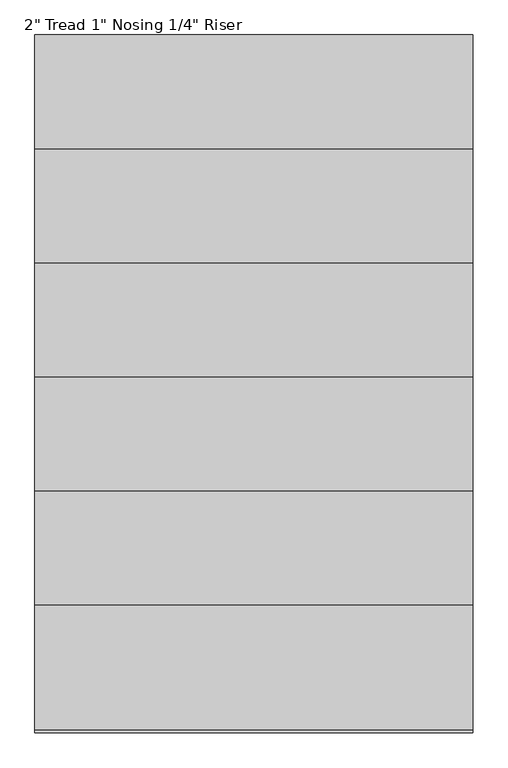
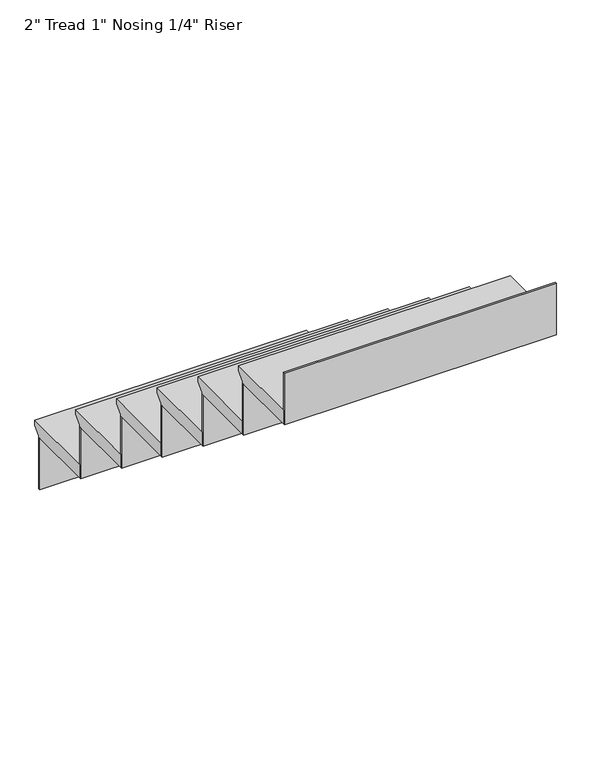
"""IFC4 building model written with IfcOpenShell, lengths in millimetres: stair flight geometry."""

import ifcopenshell
import ifcopenshell.guid

model = None  # the IFC model being written
_history = None  # IfcOwnerHistory: only IFC2X3 demands one
_inside = {}  # id of a spatial element -> (the spatial element, [elements in it])
_under = {}  # id of a project, library or spatial element -> (it, [spatial elements below it])
_declared = {}  # id of a project -> (the project, [libraries it declares])
_typed = {}  # id of a type object -> (the type object, [elements of that type])
_made_of = {}  # id of a material, layer set ... -> (it, [elements and type objects made of it])


def new_model(schema):
    """Start an empty IFC model of exactly this schema.

    Asked for "IFC4X3", IfcOpenShell would pick the latest addendum, in which some entities
    have other attributes; the version numbers below select the first issue.
    IFC2X3 requires an IfcOwnerHistory on every rooted entity: one is made here for all.
    """
    global model, _history
    if schema == "IFC4X3":
        model = ifcopenshell.file(schema_version=(4, 3, 0, 0))
    else:
        model = ifcopenshell.file(schema=schema)
    _inside.clear()
    _under.clear()
    _declared.clear()
    _typed.clear()
    _made_of.clear()
    _history = None
    if model.schema == "IFC2X3":
        org = make("IfcOrganization", Name="unknown")
        user = make(
            "IfcPersonAndOrganization",
            ThePerson=make("IfcPerson", FamilyName="unknown"),
            TheOrganization=org,
        )
        app = make(
            "IfcApplication",
            ApplicationDeveloper=org,
            Version="unknown",
            ApplicationFullName="unknown",
            ApplicationIdentifier="unknown",
        )
        _history = make(
            "IfcOwnerHistory",
            OwningUser=user,
            OwningApplication=app,
            ChangeAction="ADDED",
            CreationDate=0,
        )
    return model


def make(cls, **values):
    """One entity of the class cls with the attributes given. An attribute that is None is left unset."""
    return model.create_entity(
        cls, **{name: value for name, value in values.items() if value is not None}
    )


def rooted(cls, **values):
    """An entity with a GlobalId (a new one), such as an element, a storey or a relation."""
    return make(cls, GlobalId=ifcopenshell.guid.new(), OwnerHistory=_history, **values)


def si_unit(unit_type, name, prefix=None):
    """IfcSIUnit, for example si_unit("LENGTHUNIT", "METRE", prefix="MILLI")."""
    return make("IfcSIUnit", UnitType=unit_type, Prefix=prefix, Name=name)


def assignment(units):
    """IfcUnitAssignment: the units of a project."""
    return None if units is None else make("IfcUnitAssignment", Units=units)


def point(xyz):
    """IfcCartesianPoint."""
    return None if xyz is None else make("IfcCartesianPoint", Coordinates=xyz)


def direction(xyz):
    """IfcDirection."""
    return None if xyz is None else make("IfcDirection", DirectionRatios=xyz)


def frame(location, z_axis=None, x_axis=None):
    """IfcAxis2Placement3D, a coordinate frame: its origin and axes. An axis left out is left unset."""
    return make(
        "IfcAxis2Placement3D",
        Location=point(location),
        Axis=direction(z_axis),
        RefDirection=direction(x_axis),
    )


def origin():
    """The frame at (0, 0, 0) with its axes left unset."""
    return frame((0.0, 0.0, 0.0))


def place(relative_to, where):
    """IfcLocalPlacement: puts the frame where relative to a parent placement (None: the world)."""
    return make(
        "IfcLocalPlacement", PlacementRelTo=relative_to, RelativePlacement=where
    )


def context(
    kind, dimensions, precision=None, world=None, true_north=None, identifier=None
):
    """IfcGeometricRepresentationContext, for example the 3D "Model" context."""
    return make(
        "IfcGeometricRepresentationContext",
        ContextIdentifier=identifier,
        ContextType=kind,
        CoordinateSpaceDimension=dimensions,
        Precision=precision,
        WorldCoordinateSystem=world,
        TrueNorth=true_north,
    )


def project(units=None, contexts=None):
    """IfcProject with its units and contexts."""
    return rooted(
        "IfcProject",
        Name="project",
        RepresentationContexts=contexts,
        UnitsInContext=assignment(units),
    )


def spatial(cls, under=None, at=None, **own):
    """A site, building, storey or space (cls), placed at a placement, below another one or the project."""
    s = rooted(cls, ObjectPlacement=at, **own)
    if under is not None:
        _under.setdefault(under.id(), (under, []))[1].append(s)
    return s


def polyline(points):
    """IfcPolyline through the points."""
    return make("IfcPolyline", Points=[point(p) for p in points])


def outline(outer, holes=None, kind="AREA"):
    """IfcArbitraryClosedProfileDef: a profile drawn as a closed curve; with holes, ...WithVoids."""
    if holes is None:
        return make("IfcArbitraryClosedProfileDef", ProfileType=kind, OuterCurve=outer)
    return make(
        "IfcArbitraryProfileDefWithVoids",
        ProfileType=kind,
        OuterCurve=outer,
        InnerCurves=holes,
    )


def extrude(swept, where, along, depth):
    """IfcExtrudedAreaSolid: the profile swept, set in the frame where, extruded along a direction by depth."""
    return make(
        "IfcExtrudedAreaSolid",
        SweptArea=swept,
        Position=where,
        ExtrudedDirection=direction(along),
        Depth=depth,
    )


def shape(context_of_items, identifier, shape_type, items):
    """IfcShapeRepresentation: the items that make up one representation, for example the "Body"."""
    return make(
        "IfcShapeRepresentation",
        ContextOfItems=context_of_items,
        RepresentationIdentifier=identifier,
        RepresentationType=shape_type,
        Items=items,
    )


def source(mapping_origin, context_of_items, identifier, shape_type, items):
    """IfcRepresentationMap: a shape defined once, which mapped items show again and again."""
    return make(
        "IfcRepresentationMap",
        MappingOrigin=mapping_origin,
        MappedRepresentation=shape(context_of_items, identifier, shape_type, items),
    )


def transform(
    local_origin,
    x_axis=None,
    y_axis=None,
    z_axis=None,
    scale=None,
    scale2=None,
    scale3=None,
    uniform=True,
):
    """IfcCartesianTransformationOperator3D, or its non-uniform kind. x_axis, y_axis, z_axis: its Axis1, 2, 3."""
    if uniform:
        return make(
            "IfcCartesianTransformationOperator3D",
            Axis1=direction(x_axis),
            Axis2=direction(y_axis),
            LocalOrigin=point(local_origin),
            Scale=scale,
            Axis3=direction(z_axis),
        )
    return make(
        "IfcCartesianTransformationOperator3DnonUniform",
        Axis1=direction(x_axis),
        Axis2=direction(y_axis),
        LocalOrigin=point(local_origin),
        Scale=scale,
        Axis3=direction(z_axis),
        Scale2=scale2,
        Scale3=scale3,
    )


def mapped(mapping_source, mapping_target):
    """IfcMappedItem: shows the shape of a source again, moved by a transform."""
    return make(
        "IfcMappedItem", MappingSource=mapping_source, MappingTarget=mapping_target
    )


def made_of(thing, what):
    """Note that an element or type object is made of a material, layer set ...; save() writes the relation."""
    if what is not None:
        _made_of.setdefault(what.id(), (what, []))[1].append(thing)
    return thing


def element(
    cls,
    number,
    at=None,
    inside=None,
    cuts=None,
    type_object=None,
    material=None,
    context=None,
    identifier="Body",
    shape_type=None,
    held_by="IfcProductDefinitionShape",
    body=None,
    shapes=None,
    **own,
):
    """One element of the class cls, such as IfcWall. Its Tag is "e" and its number.

    at: its placement. inside: the storey or other place that contains it. cuts: it is an
    opening in that element (IfcRelVoidsElement). A single representation is given by context,
    identifier, shape_type and body (its items); several are given by shapes. held_by: the class
    of the entity that holds the representations. save() writes the other relations.
    """
    e = rooted(cls, Tag="e%d" % number, ObjectPlacement=at, **own)
    if body is not None:
        shapes = [shape(context, identifier, shape_type, body)]
    if shapes is not None:
        e.Representation = make(held_by, Representations=shapes)
    if inside is not None:
        _inside.setdefault(inside.id(), (inside, []))[1].append(e)
    if cuts is not None:
        rooted(
            "IfcRelVoidsElement", RelatingBuildingElement=cuts, RelatedOpeningElement=e
        )
    if type_object is not None:
        _typed.setdefault(type_object.id(), (type_object, []))[1].append(e)
    return made_of(e, material)


def aggregate(whole, parts):
    """IfcRelAggregates: a whole, such as a stair, and the parts it consists of."""
    return rooted("IfcRelAggregates", RelatingObject=whole, RelatedObjects=parts)


def save(model, path):
    """Write the relations noted so far, then the file.

    IfcRelAggregates (storeys below a building ...), IfcRelContainedInSpatialStructure (elements
    in a storey), IfcRelDefinesByType, IfcRelAssociatesMaterial and IfcRelDeclares: one each for
    every whole, place, type object, material and project.
    """
    for whole, parts in _under.values():
        aggregate(whole, parts)
    for where, things in _inside.values():
        rooted(
            "IfcRelContainedInSpatialStructure",
            RelatedElements=things,
            RelatingStructure=where,
        )
    for kind, things in _typed.values():
        rooted("IfcRelDefinesByType", RelatedObjects=things, RelatingType=kind)
    for what, things in _made_of.values():
        rooted("IfcRelAssociatesMaterial", RelatedObjects=things, RelatingMaterial=what)
    for by, libraries in _declared.values():
        rooted("IfcRelDeclares", RelatingContext=by, RelatedDefinitions=libraries)
    model.write(path)


def stair_flight_feeab55f(model_context):
    return source(origin(), model_context, "Body", "SweptSolid", [
        extrude(outline(polyline([(-627.2133666, 85800.0), (-341.8133666, 85800.0), (-341.8133666, 85780.95), (-367.2133666, 85755.55), (-367.2133666, 85749.2), (-627.2133666, 85749.2), (-627.2133666, 85800.0)])), frame((2670.2555789, 0.0, 0.0), z_axis=(1.0, 0.0, 0.0), x_axis=(0.0, 1.0, 0.0)), (0.0, 0.0, 1.0), 1000.0),
        extrude(outline(polyline([(2670.2555789, -373.5633666), (2670.2555789, -367.2133666), (3670.2555789, -367.2133666), (3670.2555789, -373.5633666), (2670.2555789, -373.5633666)])), frame((0.0, 0.0, 85549.2), z_axis=(0.0, 0.0, 1.0), x_axis=(1.0, 0.0, 0.0)), (0.0, 0.0, 1.0), 200.0),
        extrude(outline(polyline([(-887.2133666, 86000.0), (-601.8133666, 86000.0), (-601.8133666, 85980.95), (-627.2133666, 85955.55), (-627.2133666, 85949.2), (-887.2133666, 85949.2), (-887.2133666, 86000.0)])), frame((2670.2555789, 0.0, 0.0), z_axis=(1.0, 0.0, 0.0), x_axis=(0.0, 1.0, 0.0)), (0.0, 0.0, 1.0), 1000.0),
        extrude(outline(polyline([(2670.2555789, -633.5633666), (2670.2555789, -627.2133666), (3670.2555789, -627.2133666), (3670.2555789, -633.5633666), (2670.2555789, -633.5633666)])), frame((0.0, 0.0, 85749.2), z_axis=(0.0, 0.0, 1.0), x_axis=(1.0, 0.0, 0.0)), (0.0, 0.0, 1.0), 200.0),
        extrude(outline(polyline([(-1147.2133666, 86200.0), (-861.8133666, 86200.0), (-861.8133666, 86180.95), (-887.2133666, 86155.55), (-887.2133666, 86149.2), (-1147.2133666, 86149.2), (-1147.2133666, 86200.0)])), frame((2670.2555789, 0.0, 0.0), z_axis=(1.0, 0.0, 0.0), x_axis=(0.0, 1.0, 0.0)), (0.0, 0.0, 1.0), 1000.0),
        extrude(outline(polyline([(2670.2555789, -893.5633666), (2670.2555789, -887.2133666), (3670.2555789, -887.2133666), (3670.2555789, -893.5633666), (2670.2555789, -893.5633666)])), frame((0.0, 0.0, 85949.2), z_axis=(0.0, 0.0, 1.0), x_axis=(1.0, 0.0, 0.0)), (0.0, 0.0, 1.0), 200.0),
        extrude(outline(polyline([(-1407.2133666, 86400.0), (-1121.8133666, 86400.0), (-1121.8133666, 86380.95), (-1147.2133666, 86355.55), (-1147.2133666, 86349.2), (-1407.2133666, 86349.2), (-1407.2133666, 86400.0)])), frame((2670.2555789, 0.0, 0.0), z_axis=(1.0, 0.0, 0.0), x_axis=(0.0, 1.0, 0.0)), (0.0, 0.0, 1.0), 1000.0),
        extrude(outline(polyline([(2670.2555789, -1153.5633666), (2670.2555789, -1147.2133666), (3670.2555789, -1147.2133666), (3670.2555789, -1153.5633666), (2670.2555789, -1153.5633666)])), frame((0.0, 0.0, 86149.2), z_axis=(0.0, 0.0, 1.0), x_axis=(1.0, 0.0, 0.0)), (0.0, 0.0, 1.0), 200.0),
        extrude(outline(polyline([(-1667.2133666, 86600.0), (-1381.8133666, 86600.0), (-1381.8133666, 86580.95), (-1407.2133666, 86555.55), (-1407.2133666, 86549.2), (-1667.2133666, 86549.2), (-1667.2133666, 86600.0)])), frame((2670.2555789, 0.0, 0.0), z_axis=(1.0, 0.0, 0.0), x_axis=(0.0, 1.0, 0.0)), (0.0, 0.0, 1.0), 1000.0),
        extrude(outline(polyline([(2670.2555789, -1413.5633666), (2670.2555789, -1407.2133666), (3670.2555789, -1407.2133666), (3670.2555789, -1413.5633666), (2670.2555789, -1413.5633666)])), frame((0.0, 0.0, 86349.2), z_axis=(0.0, 0.0, 1.0), x_axis=(1.0, 0.0, 0.0)), (0.0, 0.0, 1.0), 200.0),
        extrude(outline(polyline([(-1927.2133666, 86800.0), (-1641.8133666, 86800.0), (-1641.8133666, 86780.95), (-1667.2133666, 86755.55), (-1667.2133666, 86749.2), (-1927.2133666, 86749.2), (-1927.2133666, 86800.0)])), frame((2670.2555789, 0.0, 0.0), z_axis=(1.0, 0.0, 0.0), x_axis=(0.0, 1.0, 0.0)), (0.0, 0.0, 1.0), 1000.0),
        extrude(outline(polyline([(2670.2555789, -1673.5633666), (2670.2555789, -1667.2133666), (3670.2555789, -1667.2133666), (3670.2555789, -1673.5633666), (2670.2555789, -1673.5633666)])), frame((0.0, 0.0, 86549.2), z_axis=(0.0, 0.0, 1.0), x_axis=(1.0, 0.0, 0.0)), (0.0, 0.0, 1.0), 200.0),
        extrude(outline(polyline([(2670.2555789, -1933.5633666), (2670.2555789, -1927.2133666), (3670.2555789, -1927.2133666), (3670.2555789, -1933.5633666), (2670.2555789, -1933.5633666)])), frame((0.0, 0.0, 86749.2), z_axis=(0.0, 0.0, 1.0), x_axis=(1.0, 0.0, 0.0)), (0.0, 0.0, 1.0), 200.0),
    ])


if __name__ == "__main__":
    model = new_model("IFC4")
    model_context = context("Model", 3, world=origin())
    ifc_project = project(units=[si_unit("LENGTHUNIT", "METRE", prefix="MILLI")], contexts=[model_context])
    site = spatial("IfcSite", under=ifc_project)
    building = spatial("IfcBuilding", under=site)
    placement = place(None, origin())
    stair_flight_shape = stair_flight_feeab55f(model_context)
    element("IfcStairFlight", 1, ObjectType="2\" Tread 1\" Nosing 1/4\" Riser", at=placement, inside=building, context=model_context, shape_type="MappedRepresentation", body=[
        mapped(stair_flight_shape, transform((0.0, 0.0, 0.0), x_axis=(1.0, 0.0, 0.0), y_axis=(0.0, 1.0, 0.0), z_axis=(0.0, 0.0, 1.0))),
    ])
    save(model, "model.ifc")
